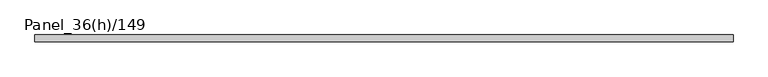
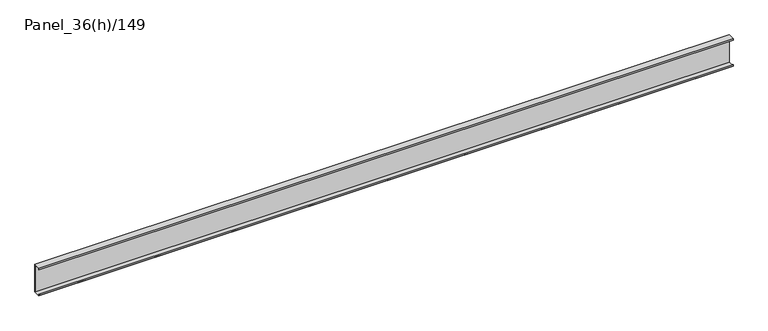
"""IFC4 building model written with IfcOpenShell, lengths in millimetres: plate geometry, Panel_36(h)/149."""

import ifcopenshell
import ifcopenshell.guid

model = None  # the IFC model being written
_history = None  # IfcOwnerHistory: only IFC2X3 demands one
_inside = {}  # id of a spatial element -> (the spatial element, [elements in it])
_under = {}  # id of a project, library or spatial element -> (it, [spatial elements below it])
_declared = {}  # id of a project -> (the project, [libraries it declares])
_typed = {}  # id of a type object -> (the type object, [elements of that type])
_made_of = {}  # id of a material, layer set ... -> (it, [elements and type objects made of it])


def new_model(schema):
    """Start an empty IFC model of exactly this schema.

    Asked for "IFC4X3", IfcOpenShell would pick the latest addendum, in which some entities
    have other attributes; the version numbers below select the first issue.
    IFC2X3 requires an IfcOwnerHistory on every rooted entity: one is made here for all.
    """
    global model, _history
    if schema == "IFC4X3":
        model = ifcopenshell.file(schema_version=(4, 3, 0, 0))
    else:
        model = ifcopenshell.file(schema=schema)
    _inside.clear()
    _under.clear()
    _declared.clear()
    _typed.clear()
    _made_of.clear()
    _history = None
    if model.schema == "IFC2X3":
        org = make("IfcOrganization", Name="unknown")
        user = make(
            "IfcPersonAndOrganization",
            ThePerson=make("IfcPerson", FamilyName="unknown"),
            TheOrganization=org,
        )
        app = make(
            "IfcApplication",
            ApplicationDeveloper=org,
            Version="unknown",
            ApplicationFullName="unknown",
            ApplicationIdentifier="unknown",
        )
        _history = make(
            "IfcOwnerHistory",
            OwningUser=user,
            OwningApplication=app,
            ChangeAction="ADDED",
            CreationDate=0,
        )
    return model


def make(cls, **values):
    """One entity of the class cls with the attributes given. An attribute that is None is left unset."""
    return model.create_entity(
        cls, **{name: value for name, value in values.items() if value is not None}
    )


def rooted(cls, **values):
    """An entity with a GlobalId (a new one), such as an element, a storey or a relation."""
    return make(cls, GlobalId=ifcopenshell.guid.new(), OwnerHistory=_history, **values)


def si_unit(unit_type, name, prefix=None):
    """IfcSIUnit, for example si_unit("LENGTHUNIT", "METRE", prefix="MILLI")."""
    return make("IfcSIUnit", UnitType=unit_type, Prefix=prefix, Name=name)


def assignment(units):
    """IfcUnitAssignment: the units of a project."""
    return None if units is None else make("IfcUnitAssignment", Units=units)


def point(xyz):
    """IfcCartesianPoint."""
    return None if xyz is None else make("IfcCartesianPoint", Coordinates=xyz)


def direction(xyz):
    """IfcDirection."""
    return None if xyz is None else make("IfcDirection", DirectionRatios=xyz)


def frame(location, z_axis=None, x_axis=None):
    """IfcAxis2Placement3D, a coordinate frame: its origin and axes. An axis left out is left unset."""
    return make(
        "IfcAxis2Placement3D",
        Location=point(location),
        Axis=direction(z_axis),
        RefDirection=direction(x_axis),
    )


def origin():
    """The frame at (0, 0, 0) with its axes left unset."""
    return frame((0.0, 0.0, 0.0))


def place(relative_to, where):
    """IfcLocalPlacement: puts the frame where relative to a parent placement (None: the world)."""
    return make(
        "IfcLocalPlacement", PlacementRelTo=relative_to, RelativePlacement=where
    )


def context(
    kind, dimensions, precision=None, world=None, true_north=None, identifier=None
):
    """IfcGeometricRepresentationContext, for example the 3D "Model" context."""
    return make(
        "IfcGeometricRepresentationContext",
        ContextIdentifier=identifier,
        ContextType=kind,
        CoordinateSpaceDimension=dimensions,
        Precision=precision,
        WorldCoordinateSystem=world,
        TrueNorth=true_north,
    )


def project(units=None, contexts=None):
    """IfcProject with its units and contexts."""
    return rooted(
        "IfcProject",
        Name="project",
        RepresentationContexts=contexts,
        UnitsInContext=assignment(units),
    )


def spatial(cls, under=None, at=None, **own):
    """A site, building, storey or space (cls), placed at a placement, below another one or the project."""
    s = rooted(cls, ObjectPlacement=at, **own)
    if under is not None:
        _under.setdefault(under.id(), (under, []))[1].append(s)
    return s


def polyline(points):
    """IfcPolyline through the points."""
    return make("IfcPolyline", Points=[point(p) for p in points])


def outline(outer, holes=None, kind="AREA"):
    """IfcArbitraryClosedProfileDef: a profile drawn as a closed curve; with holes, ...WithVoids."""
    if holes is None:
        return make("IfcArbitraryClosedProfileDef", ProfileType=kind, OuterCurve=outer)
    return make(
        "IfcArbitraryProfileDefWithVoids",
        ProfileType=kind,
        OuterCurve=outer,
        InnerCurves=holes,
    )


def extrude(swept, where, along, depth):
    """IfcExtrudedAreaSolid: the profile swept, set in the frame where, extruded along a direction by depth."""
    return make(
        "IfcExtrudedAreaSolid",
        SweptArea=swept,
        Position=where,
        ExtrudedDirection=direction(along),
        Depth=depth,
    )


def shape(context_of_items, identifier, shape_type, items):
    """IfcShapeRepresentation: the items that make up one representation, for example the "Body"."""
    return make(
        "IfcShapeRepresentation",
        ContextOfItems=context_of_items,
        RepresentationIdentifier=identifier,
        RepresentationType=shape_type,
        Items=items,
    )


def source(mapping_origin, context_of_items, identifier, shape_type, items):
    """IfcRepresentationMap: a shape defined once, which mapped items show again and again."""
    return make(
        "IfcRepresentationMap",
        MappingOrigin=mapping_origin,
        MappedRepresentation=shape(context_of_items, identifier, shape_type, items),
    )


def transform(
    local_origin,
    x_axis=None,
    y_axis=None,
    z_axis=None,
    scale=None,
    scale2=None,
    scale3=None,
    uniform=True,
):
    """IfcCartesianTransformationOperator3D, or its non-uniform kind. x_axis, y_axis, z_axis: its Axis1, 2, 3."""
    if uniform:
        return make(
            "IfcCartesianTransformationOperator3D",
            Axis1=direction(x_axis),
            Axis2=direction(y_axis),
            LocalOrigin=point(local_origin),
            Scale=scale,
            Axis3=direction(z_axis),
        )
    return make(
        "IfcCartesianTransformationOperator3DnonUniform",
        Axis1=direction(x_axis),
        Axis2=direction(y_axis),
        LocalOrigin=point(local_origin),
        Scale=scale,
        Axis3=direction(z_axis),
        Scale2=scale2,
        Scale3=scale3,
    )


def mapped(mapping_source, mapping_target):
    """IfcMappedItem: shows the shape of a source again, moved by a transform."""
    return make(
        "IfcMappedItem", MappingSource=mapping_source, MappingTarget=mapping_target
    )


def made_of(thing, what):
    """Note that an element or type object is made of a material, layer set ...; save() writes the relation."""
    if what is not None:
        _made_of.setdefault(what.id(), (what, []))[1].append(thing)
    return thing


def element(
    cls,
    number,
    at=None,
    inside=None,
    cuts=None,
    type_object=None,
    material=None,
    context=None,
    identifier="Body",
    shape_type=None,
    held_by="IfcProductDefinitionShape",
    body=None,
    shapes=None,
    **own,
):
    """One element of the class cls, such as IfcWall. Its Tag is "e" and its number.

    at: its placement. inside: the storey or other place that contains it. cuts: it is an
    opening in that element (IfcRelVoidsElement). A single representation is given by context,
    identifier, shape_type and body (its items); several are given by shapes. held_by: the class
    of the entity that holds the representations. save() writes the other relations.
    """
    e = rooted(cls, Tag="e%d" % number, ObjectPlacement=at, **own)
    if body is not None:
        shapes = [shape(context, identifier, shape_type, body)]
    if shapes is not None:
        e.Representation = make(held_by, Representations=shapes)
    if inside is not None:
        _inside.setdefault(inside.id(), (inside, []))[1].append(e)
    if cuts is not None:
        rooted(
            "IfcRelVoidsElement", RelatingBuildingElement=cuts, RelatedOpeningElement=e
        )
    if type_object is not None:
        _typed.setdefault(type_object.id(), (type_object, []))[1].append(e)
    return made_of(e, material)


def aggregate(whole, parts):
    """IfcRelAggregates: a whole, such as a stair, and the parts it consists of."""
    return rooted("IfcRelAggregates", RelatingObject=whole, RelatedObjects=parts)


def save(model, path):
    """Write the relations noted so far, then the file.

    IfcRelAggregates (storeys below a building ...), IfcRelContainedInSpatialStructure (elements
    in a storey), IfcRelDefinesByType, IfcRelAssociatesMaterial and IfcRelDeclares: one each for
    every whole, place, type object, material and project.
    """
    for whole, parts in _under.values():
        aggregate(whole, parts)
    for where, things in _inside.values():
        rooted(
            "IfcRelContainedInSpatialStructure",
            RelatedElements=things,
            RelatingStructure=where,
        )
    for kind, things in _typed.values():
        rooted("IfcRelDefinesByType", RelatedObjects=things, RelatingType=kind)
    for what, things in _made_of.values():
        rooted("IfcRelAssociatesMaterial", RelatedObjects=things, RelatingMaterial=what)
    for by, libraries in _declared.values():
        rooted("IfcRelDeclares", RelatingContext=by, RelatedDefinitions=libraries)
    model.write(path)


def panel_36_h_149_aeb3d2d9(model_context):
    return source(origin(), model_context, "Body", "SweptSolid", [
        extrude(outline(polyline([(1780.0000002, 36.0), (1780.0000002, 35.2), (-1780.0000002, 35.2), (-1780.0000002, 36.0), (1780.0000002, 36.0)])), frame((0.0, 0.0, 19.0), z_axis=(0.0, 0.0, 1.0), x_axis=(1.0, 0.0, 0.0)), (0.0, 0.0, 1.0), 143.0),
        extrude(outline(polyline([(0.0, 165.0), (36.0, 165.0), (36.0, 162.0), (35.2, 162.0), (35.2, 164.2), (0.8, 164.2), (0.8, 157.0), (0.0, 157.0), (0.0, 165.0)])), frame((-1780.0000002, 0.0, 0.0), z_axis=(1.0, 0.0, 0.0), x_axis=(0.0, 1.0, 0.0)), (0.0, 0.0, 1.0), 3560.0000003),
        extrude(outline(polyline([(0.0, 16.0), (0.0, 24.0), (0.8, 24.0), (0.8, 16.8), (35.2, 16.8), (35.2, 19.0), (36.0, 19.0), (36.0, 16.0), (0.0, 16.0)])), frame((-1780.0000002, 0.0, 0.0), z_axis=(1.0, 0.0, 0.0), x_axis=(0.0, 1.0, 0.0)), (0.0, 0.0, 1.0), 3560.0000003),
        extrude(outline(polyline([(1780.0000002, 35.2), (1780.0000002, 33.7), (-1780.0000002, 33.7), (-1780.0000002, 35.2), (1780.0000002, 35.2)])), frame((0.0, 0.0, 16.8), z_axis=(0.0, 0.0, 1.0), x_axis=(1.0, 0.0, 0.0)), (0.0, 0.0, 1.0), 147.4),
    ])


if __name__ == "__main__":
    model = new_model("IFC4")
    model_context = context("Model", 3, world=origin())
    ifc_project = project(units=[si_unit("LENGTHUNIT", "METRE", prefix="MILLI")], contexts=[model_context])
    site = spatial("IfcSite", under=ifc_project)
    building = spatial("IfcBuilding", under=site)
    placement = place(None, origin())
    panel_36_h_149_shape = panel_36_h_149_aeb3d2d9(model_context)
    element("IfcPlate", 1, ObjectType="Panel_36(h)/149", at=placement, inside=building, context=model_context, shape_type="MappedRepresentation", body=[
        mapped(panel_36_h_149_shape, transform((0.0, 0.0, 0.0), x_axis=(1.0, 0.0, 0.0), y_axis=(0.0, 1.0, 0.0), z_axis=(0.0, 0.0, 1.0))),
    ])
    save(model, "model.ifc")
